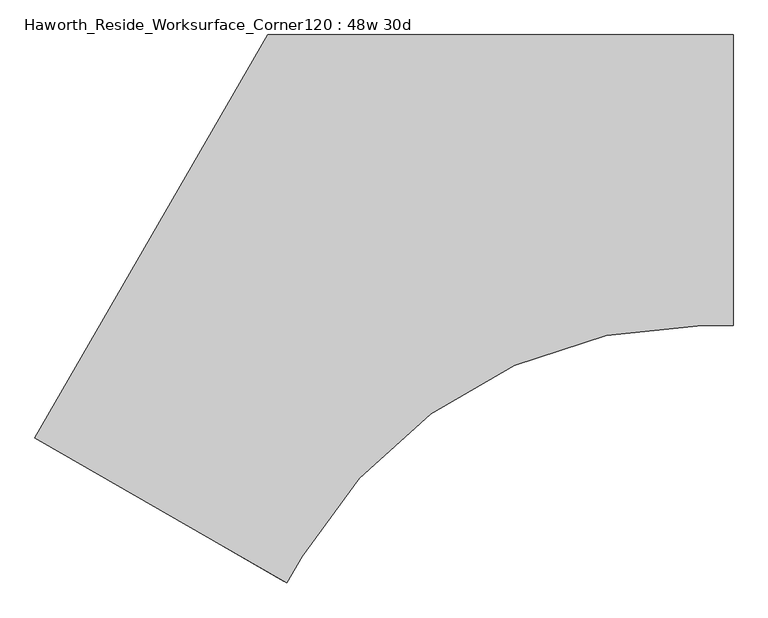
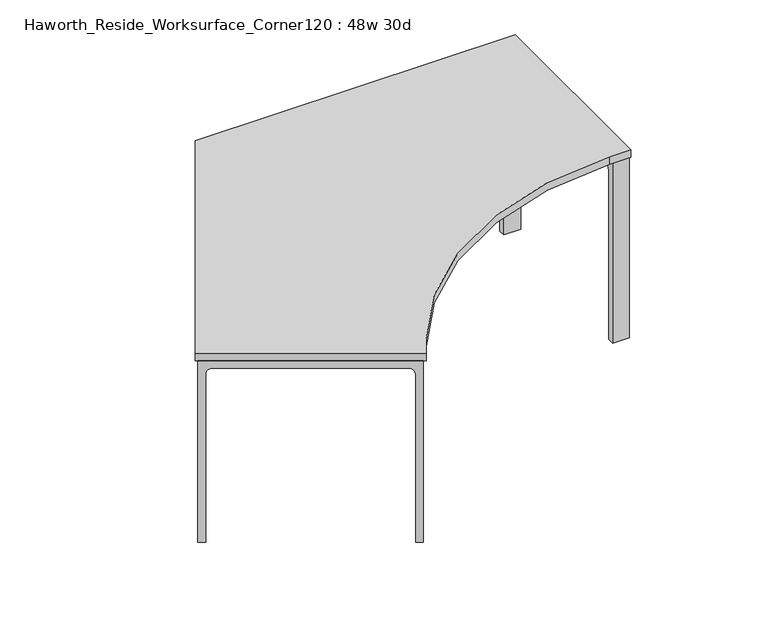
"""IFC4 building model written with IfcOpenShell, lengths in millimetres: furniture geometry, Haworth_Reside_Worksurface_Corner120 : 48w 30d."""

from ifc_helpers import new_model, si_unit, point, frame, frame_2d, origin, place, context, project, spatial, polyline, circle_curve, trimmed, segment, composite_curve, outline, extrude, source, transform, mapped, element, save


def haworth_reside_worksurface_corner120_48w_30d_ca800f51(model_context):
    return source(origin(), model_context, "Body", "SweptSolid", [
        extrude(outline(composite_curve([segment(polyline([(0.0, 0.0), (146.0500001, 0.0), (146.0500001, -731.8375), (120.65, -731.8375), (120.65, -55.5625)]), True, "CONTINUOUS"), segment(trimmed(circle_curve(frame_2d((95.25, -55.5625)), 25.4), [point((120.65, -55.5625))], [point((95.25, -30.1625))], True, "CARTESIAN"), True, "CONTINUOUS"), segment(polyline([(95.25, -30.1625), (0.0, -30.1625), (0.0, 0.0)]), True, "CONTINUOUS")], self_intersect=False)), frame((-684.7213066, 107.4493766, 731.8375), z_axis=(0.866025403784444, 0.49999999999999084, 0.0), x_axis=(-0.49999999999999084, 0.866025403784444, 0.0)), (0.0, 0.0, 1.0), 63.5),
        extrude(outline(composite_curve([segment(polyline([(0.0, 0.0), (527.05, 0.0), (527.05, -731.8375), (501.65, -731.8375), (501.65, -55.5625)]), True, "CONTINUOUS"), segment(trimmed(circle_curve(frame_2d((476.25, -55.5625)), 25.4), [point((501.65, -55.5625))], [point((476.25, -30.1625))], True, "CARTESIAN"), True, "CONTINUOUS"), segment(polyline([(476.25, -30.1625), (0.0, -30.1625), (0.0, 0.0)]), True, "CONTINUOUS")], self_intersect=False)), frame((-494.2213066, -222.5063022, 731.8375), z_axis=(0.866025403784444, 0.49999999999999084, 0.0), x_axis=(-0.49999999999999084, 0.866025403784444, 0.0)), (0.0, 0.0, 1.0), 63.5),
        extrude(outline(composite_curve([segment(trimmed(circle_curve(frame_2d((244.475, 676.275)), 25.4), [point((269.875, 676.275))], [point((244.475, 701.675))], True, "CARTESIAN"), True, "CONTINUOUS"), segment(polyline([(244.475, 701.675), (-396.875, 701.675)]), True, "CONTINUOUS"), segment(trimmed(circle_curve(frame_2d((-396.875, 676.275)), 25.4), [point((-396.875, 701.675))], [point((-422.275, 676.275))], True, "CARTESIAN"), True, "CONTINUOUS"), segment(polyline([(-422.275, 676.275), (-422.275, 0.0), (-447.675, 0.0), (-447.675, 731.8375), (295.275, 731.8375), (295.275, 0.0), (269.875, 0.0), (269.875, 676.275)]), True, "CONTINUOUS")], self_intersect=False)), frame((393.7, 0.0, 0.0), z_axis=(1.0, 0.0, 0.0), x_axis=(0.0, 1.0, 0.0)), (0.0, 0.0, 1.0), 63.5),
        extrude(outline(composite_curve([segment(trimmed(circle_curve(frame_2d((676.275, 25.4)), 25.4), [point((676.275, 0.0))], [point((701.675, 25.4))], True, "CARTESIAN"), True, "CONTINUOUS"), segment(polyline([(701.675, 25.4), (701.675, 666.75)]), True, "CONTINUOUS"), segment(trimmed(circle_curve(frame_2d((676.275, 666.75)), 25.4), [point((701.675, 666.75))], [point((676.275, 692.1500001))], True, "CARTESIAN"), True, "CONTINUOUS"), segment(polyline([(676.275, 692.1500001), (0.0, 692.1500001), (0.0, 717.55), (731.8375, 717.55), (731.8375, -25.4), (0.0, -25.4), (0.0, 0.0), (676.275, 0.0)]), True, "CONTINUOUS")], self_intersect=False)), frame((-1341.3540628, -768.5206723, 0.0), z_axis=(0.4999999999999951, 0.8660254037844415, 0.0), x_axis=(0.0, 0.0, 1.0)), (0.0, 0.0, 1.0), 63.5),
        extrude(outline(composite_curve([segment(polyline([(-1371.6, -751.0581723), (-762.0, 304.8), (457.2, 304.8), (457.2, -457.2), (376.347092, -457.2)]), True, "CONTINUOUS"), segment(trimmed(circle_curve(frame_2d((376.347092, -1666.875)), 1209.675), [point((376.347092, -457.2))], [point((-671.2621883, -1062.0375))], True, "CARTESIAN"), True, "CONTINUOUS"), segment(polyline([(-671.2621883, -1062.0375), (-711.6886423, -1132.0581723), (-1371.6, -751.0581723)]), True, "CONTINUOUS")], self_intersect=False)), frame((0.0, 0.0, 731.8375), z_axis=(0.0, 0.0, 1.0), x_axis=(1.0, 0.0, 0.0)), (0.0, 0.0, 1.0), 30.1625),
    ])


if __name__ == "__main__":
    model = new_model("IFC4")
    model_context = context("Model", 3, world=origin())
    ifc_project = project(units=[si_unit("LENGTHUNIT", "METRE", prefix="MILLI")], contexts=[model_context])
    site = spatial("IfcSite", under=ifc_project)
    building = spatial("IfcBuilding", under=site)
    placement = place(None, origin())
    haworth_reside_worksurface_corner120_48w_30d_shape = haworth_reside_worksurface_corner120_48w_30d_ca800f51(model_context)
    element("IfcFurniture", 1, ObjectType="Haworth_Reside_Worksurface_Corner120 : 48w 30d", at=placement, inside=building, context=model_context, shape_type="MappedRepresentation", body=[
        mapped(haworth_reside_worksurface_corner120_48w_30d_shape, transform((0.0, 0.0, 0.0), x_axis=(1.0, 0.0, 0.0), y_axis=(0.0, 1.0, 0.0), z_axis=(0.0, 0.0, 1.0))),
    ])
    save(model, "model.ifc")
